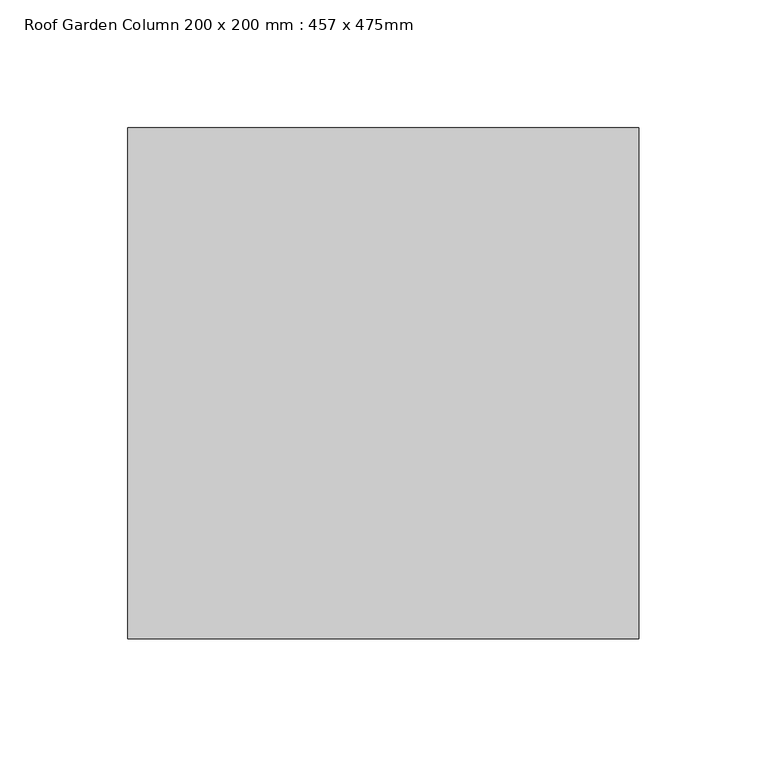
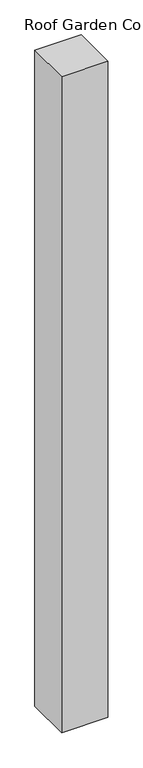
"""IFC4 building model written with IfcOpenShell, lengths in millimetres: column geometry, Roof Garden Column 200 x 200 mm : 457 x 475mm."""

from ifc_helpers import new_model, si_unit, frame, origin, place, context, project, spatial, polyline, outline, extrude, source, transform, mapped, element, save


def roof_garden_column_200_x_200_mm_457_x_475mm_611c4a7e(model_context):
    return source(origin(), model_context, "Body", "SweptSolid", [
        extrude(outline(polyline([(100.0, 100.0), (100.0, -100.0), (-100.0, -100.0), (-100.0, 100.0), (100.0, 100.0)])), frame((0.0, 0.0, 4040.0), z_axis=(0.0, 0.0, 1.0), x_axis=(1.0, 0.0, 0.0)), (0.0, 0.0, 1.0), 3000.0),
    ])


if __name__ == "__main__":
    model = new_model("IFC4")
    model_context = context("Model", 3, world=origin())
    ifc_project = project(units=[si_unit("LENGTHUNIT", "METRE", prefix="MILLI")], contexts=[model_context])
    site = spatial("IfcSite", under=ifc_project)
    building = spatial("IfcBuilding", under=site)
    placement = place(None, origin())
    roof_garden_column_200_x_200_mm_457_x_475mm_shape = roof_garden_column_200_x_200_mm_457_x_475mm_611c4a7e(model_context)
    element("IfcColumn", 1, ObjectType="Roof Garden Column 200 x 200 mm : 457 x 475mm", at=placement, inside=building, context=model_context, shape_type="MappedRepresentation", body=[
        mapped(roof_garden_column_200_x_200_mm_457_x_475mm_shape, transform((0.0, 0.0, 0.0), x_axis=(1.0, 0.0, 0.0), y_axis=(0.0, 1.0, 0.0), z_axis=(0.0, 0.0, 1.0))),
    ])
    save(model, "model.ifc")
